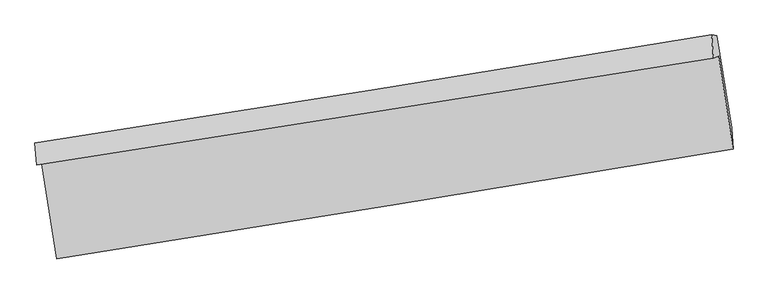
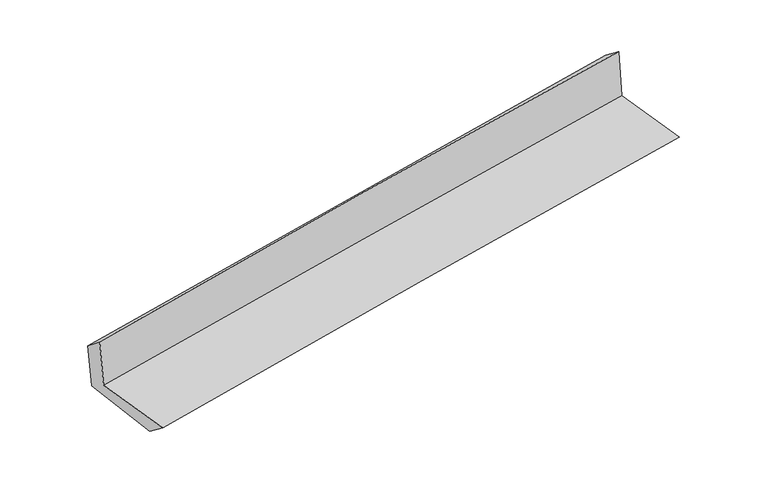
"""IFC4 building model written with IfcOpenShell, lengths in millimetres: proxy geometry."""

from ifc_helpers import new_model, si_unit, frame, origin, place, context, project, spatial, source, transform, mapped, element, save
from ifc_brep_helpers import plane_surface, spline_curve, spline_surface, advanced_brep


def generic_models_4b712df7(model_context):
    return source(origin(), model_context, "Body", "AdvancedBrep", [
        advanced_brep(
        [(-2367.8492055, -1878.112601, 1675.5956266), (-2265.4321393, -2538.2246345, 1671.5686766), (2415.843516, -1775.6921862, 2091.9628393), (2315.6962104, -1131.1697016, 2098.4190659), (-2403.7251464, -1886.2144554, 2071.0770115), (2280.2686723, -1146.8264694, 2501.5629115), (-2415.5999045, -1732.7007198, 1944.7990854), (2266.9280832, -984.680835, 2376.914909), (-2382.0718771, -1730.9371896, 1584.7633171), (2303.4885824, -989.9983767, 1996.2085925), (-2278.4753245, -2379.4402022, 1549.0581845), (2405.0323808, -1630.2422704, 1967.8374726)],
        [
            (0, 1),
            (1, 2, spline_curve(3, [(-2265.4321393, -2538.2246345, 1671.5686766), (-1482.451670787, -2413.478354298, 1752.295242411), (-699.225090322, -2287.289493904, 1827.816015462), (861.204204788, -2033.088115344, 1967.861170809), (1638.402842807, -1905.099492813, 2032.471785249), (2415.843516, -1775.6921862, 2091.9628393)], [4, 2, 4], [0.0, 7.843760866601433, 15.62228570515603])),
            (2, 3),
            (3, 0, spline_curve(3, [(2315.6962104, -1131.1697016, 2098.4190659), (1538.169245363, -1259.353050588, 2037.677698248), (760.739710914, -1385.438837036, 1972.238563609), (-800.443735457, -1634.455134187, 1831.376544979), (-1584.196006378, -1757.350314404, 1755.874533029), (-2367.8492055, -1878.112601, 1675.5956266)], [4, 2, 4], [0.0, 7.778524838554596, 15.62228570515603])),
            (4, 0),
            (3, 5),
            (5, 4, spline_curve(3, [(2280.2686723, -1146.8264694, 2501.5629115), (1501.917631272, -1271.373181683, 2443.615265045), (724.037282478, -1395.008727436, 2378.945607408), (-837.301918426, -1641.486736926, 2235.563531044), (-1620.752842739, -1764.313853128, 2156.737888486), (-2403.7251464, -1886.2144554, 2071.0770115)], [4, 2, 4], [0.0, 7.778486037240116, 15.622207777112713])),
            (6, 4),
            (5, 7),
            (7, 6, spline_curve(3, [(2266.9280832, -984.680835, 2376.914909), (1489.88403468, -1113.405304288, 2311.881720699), (712.781046003, -1239.851781533, 2243.519803259), (-848.060623945, -1489.230112883, 2099.53726376), (-1631.80029751, -1612.123597329, 2023.860573057), (-2415.5999045, -1732.7007198, 1944.7990854)], [4, 2, 4], [0.0, 7.778445337746702, 15.622126036792105])),
            (8, 6),
            (7, 9),
            (9, 8, spline_curve(3, [(2303.4885824, -989.9983767, 1996.2085925), (1525.842187655, -1115.139334989, 1931.699439696), (748.186167926, -1239.201403043, 1865.308823895), (-813.667156365, -1486.19917998, 1728.192089568), (-1597.864623229, -1609.116716064, 1657.434280315), (-2382.0718771, -1730.9371896, 1584.7633171)], [4, 2, 4], [0.0, 7.778405810908161, 15.622046651615928])),
            (10, 8),
            (9, 11),
            (11, 10, spline_curve(3, [(2405.0323808, -1630.2422704, 1967.8374726), (1627.83031746, -1756.053886385, 1899.854125898), (850.567028795, -1881.135207177, 1831.113085107), (-710.601175088, -2130.880152156, 1691.532751381), (-1494.507121386, -2255.53147502, 1620.680696207), (-2278.4753245, -2379.4402022, 1549.0581845)], [4, 2, 4], [0.0, 7.778331089705212, 15.62189658254693])),
            (1, 10),
            (11, 2),
        ],
        [
            spline_surface(3, 3, [[(-2367.8492055, -1878.112601, 1675.5956266), (-1584.196006306, -1757.350314312, 1755.874533086), (-800.443735452, -1634.455134218, 1831.376544972), (760.739710909, -1385.438837005, 1972.238563615), (1538.169245415, -1259.353050673, 2037.677698156), (2315.6962104, -1131.1697016, 2098.4190659)], [(-2333.710183439, -2098.149945475, 1674.25330995), (-1550.281227799, -1976.05966093, 1754.681436249), (-766.704187086, -1852.066587453, 1830.189701831), (794.227875551, -1601.321929763, 1970.779432653), (1571.580444582, -1474.601864727, 2035.942393869), (2349.078645613, -1346.010529814, 2096.266990358)], [(-2299.571161361, -2318.187290025, 1672.91099325), (-1516.366449275, -2194.769007622, 1753.488339364), (-732.964638727, -2069.678040711, 1829.002858687), (827.716040186, -1817.205022544, 1969.320301688), (1604.991643711, -1689.850678738, 2034.207089608), (2382.461080787, -1560.851357986, 2094.114914842)], [(-2265.4321393, -2538.2246345, 1671.5686766), (-1482.451670767, -2413.47835424, 1752.295242528), (-699.225090362, -2287.289493946, 1827.816015545), (861.204204827, -2033.088115302, 1967.861170727), (1638.402842879, -1905.099492792, 2032.471785321), (2415.843516, -1775.6921862, 2091.9628393)]], [4, 4], [4, 2, 4], [0.0, 2.158952231716706], [0.0, 7.843760866601433, 15.62228570515603]),
            spline_surface(3, 3, [[(-2403.7251464, -1886.2144554, 2071.0770115), (-1620.752842869, -1764.313853056, 2156.73788854), (-837.301918522, -1641.486736883, 2235.563531006), (724.037282574, -1395.008727478, 2378.945607446), (1501.917631146, -1271.373181626, 2443.615264973), (2280.2686723, -1146.8264694, 2501.5629115)], [(-2391.766499432, -1883.513837295, 1939.249883192), (-1608.56723068, -1761.992673503, 2023.116770047), (-825.015857485, -1639.142869333, 2100.834535659), (736.271425366, -1391.818763993, 2243.376592834), (1514.001502549, -1267.366471304, 2308.302742691), (2292.077851647, -1141.607546795, 2367.181629624)], [(-2379.807852468, -1880.813219105, 1807.422754908), (-1596.381618495, -1759.671493865, 1889.495651579), (-812.729796489, -1636.799001768, 1966.105540319), (748.505568117, -1388.628800491, 2107.807578228), (1526.085374012, -1263.359760996, 2172.990220438), (2303.887031053, -1136.388624205, 2232.800347776)], [(-2367.8492055, -1878.112601, 1675.5956266), (-1584.196006306, -1757.350314312, 1755.874533086), (-800.443735452, -1634.455134218, 1831.376544972), (760.739710909, -1385.438837005, 1972.238563615), (1538.169245415, -1259.353050673, 2037.677698156), (2315.6962104, -1131.1697016, 2098.4190659)]], [4, 4], [4, 2, 4], [0.0, 1.3359112210321133], [0.0, 7.843721739872597, 15.622207777112713]),
            spline_surface(3, 3, [[(-2415.5999045, -1732.7007198, 1944.7990854), (-1631.800297625, -1612.123597432, 2023.860573125), (-848.060623858, -1489.230112923, 2099.537263635), (712.781045916, -1239.851781494, 2243.519803384), (1489.884034752, -1113.405304404, 2311.88172072), (2266.9280832, -984.680835, 2376.914909)], [(-2411.641651788, -1783.871964983, 1986.891727445), (-1628.117812694, -1662.853682622, 2068.153011608), (-844.47438874, -1539.982320891, 2144.879352775), (716.533124808, -1291.57076347, 2288.661738088), (1493.895233571, -1166.061263474, 2355.792902142), (2271.374946255, -1038.729379796, 2418.464243171)], [(-2407.683399112, -1835.043210217, 2028.984369455), (-1624.4353278, -1713.583767865, 2112.445450057), (-840.88815364, -1590.734528915, 2190.221441865), (720.285203682, -1343.289745502, 2333.803672742), (1497.906432327, -1218.717222557, 2399.70408355), (2275.821809245, -1092.777924604, 2460.013577329)], [(-2403.7251464, -1886.2144554, 2071.0770115), (-1620.752842869, -1764.313853056, 2156.73788854), (-837.301918522, -1641.486736883, 2235.563531006), (724.037282574, -1395.008727478, 2378.945607446), (1501.917631146, -1271.373181626, 2443.615264973), (2280.2686723, -1146.8264694, 2501.5629115)]], [4, 4], [4, 2, 4], [0.0, 0.673694593668247], [0.0, 7.843680699045403, 15.622126036792105]),
            spline_surface(3, 3, [[(-2382.0718771, -1730.9371896, 1584.7633171), (-1597.864623334, -1609.116716133, 1657.434280275), (-813.667156419, -1486.1991799, 1728.192089578), (748.186167979, -1239.201403122, 1865.308823885), (1525.842187536, -1115.139334996, 1931.699439753), (2303.4885824, -989.9983767, 1996.2085925)], [(-2393.247886217, -1731.525033015, 1704.775239859), (-1609.176514748, -1610.119009914, 1779.576377884), (-825.131645575, -1487.209490911, 1851.97381427), (736.384460615, -1239.418195916, 1991.37915039), (1513.856136593, -1114.561324785, 2058.426866763), (2291.301749318, -988.225862786, 2123.110698022)], [(-2404.423895383, -1732.112876385, 1824.787162641), (-1620.488406211, -1611.12130365, 1901.718475515), (-836.596134702, -1488.219801912, 1975.755538943), (724.58275328, -1239.6349887, 2117.449476878), (1501.870085696, -1113.983314616, 2185.154293709), (2279.114916282, -986.453348914, 2250.012803478)], [(-2415.5999045, -1732.7007198, 1944.7990854), (-1631.800297625, -1612.123597432, 2023.860573125), (-848.060623858, -1489.230112923, 2099.537263635), (712.781045916, -1239.851781494, 2243.519803384), (1489.884034752, -1113.405304404, 2311.88172072), (2266.9280832, -984.680835, 2376.914909)]], [4, 4], [4, 2, 4], [0.0, 1.2348261603701656], [0.0, 7.843640840707767, 15.622046651615928]),
            spline_surface(3, 3, [[(-2278.4753245, -2379.4402022, 1549.0581845), (-1494.507121349, -2255.531475037, 1620.680696135), (-710.601175066, -2130.880152066, 1691.532751413), (850.567028773, -1881.135207267, 1831.113085075), (1627.83031758, -1756.053886293, 1899.854125824), (2405.0323808, -1630.2422704, 1967.8374726)], [(-2313.007508707, -2163.272531327, 1560.959895358), (-1528.959622017, -2040.059888729, 1632.931890839), (-744.956502173, -1915.986494684, 1703.752530796), (816.440075186, -1667.157272559, 1842.511664673), (1593.834274234, -1542.415702543, 1910.469230435), (2371.184448002, -1416.827639183, 1977.294512535)], [(-2347.539692893, -1947.104860473, 1572.861606242), (-1563.412122666, -1824.588302441, 1645.18308557), (-779.311829312, -1701.092837282, 1715.972310195), (782.313121566, -1453.17933783, 1853.910244287), (1559.838230882, -1328.777518745, 1921.084335141), (2337.336515198, -1203.413007917, 1986.751552565)], [(-2382.0718771, -1730.9371896, 1584.7633171), (-1597.864623334, -1609.116716133, 1657.434280275), (-813.667156419, -1486.1991799, 1728.192089578), (748.186167979, -1239.201403122, 1865.308823885), (1525.842187536, -1115.139334996, 1931.699439753), (2303.4885824, -989.9983767, 1996.2085925)]], [4, 4], [4, 2, 4], [0.0, 2.1405254076575053], [0.0, 7.843565492841718, 15.62189658254693]),
            spline_surface(3, 3, [[(-2265.4321393, -2538.2246345, 1671.5686766), (-1482.451670767, -2413.47835424, 1752.295242528), (-699.225090362, -2287.289493946, 1827.816015545), (861.204204827, -2033.088115302, 1967.861170727), (1638.402842879, -1905.099492792, 2032.471785321), (2415.843516, -1775.6921862, 2091.9628393)], [(-2269.779867718, -2485.296490405, 1630.731845897), (-1486.470154312, -2360.829394511, 1708.423727061), (-703.017118619, -2235.153046663, 1782.388260818), (857.658479453, -1982.437145967, 1922.278475493), (1634.878667778, -1855.417623952, 1988.265898845), (2412.239804266, -1727.208880926, 2050.58771709)], [(-2274.127596082, -2432.368346295, 1589.895015203), (-1490.488637804, -2308.180434766, 1664.552211602), (-706.809146808, -2183.016599348, 1736.96050614), (854.112754147, -1931.786176601, 1876.695780309), (1631.35449268, -1805.735755133, 1944.0600123), (2408.636092534, -1678.725575674, 2009.21259481)], [(-2278.4753245, -2379.4402022, 1549.0581845), (-1494.507121349, -2255.531475037, 1620.680696135), (-710.601175066, -2130.880152066, 1691.532751413), (850.567028773, -1881.135207267, 1831.113085075), (1627.83031758, -1756.053886293, 1899.854125824), (2405.0323808, -1630.2422704, 1967.8374726)]], [4, 4], [4, 2, 4], [0.0, 0.6766385123250034], [0.0, 7.843600605279579, 15.621966515394885]),
            plane_surface(frame((2331.2095742, -1276.4349732, 2172.1509651), z_axis=(0.9840570331007551, 0.1519795504610095, 0.09237949906017616), x_axis=(-0.09558431257049213, 0.013902260158322707, 0.9953242518661528))),
            plane_surface(frame((-2352.1922662, -2024.2716337, 1749.4769836), z_axis=(-0.9840364734612342, -0.15211070740928917, -0.0923826368395239), x_axis=(-0.15331391622021825, 0.9881591492577689, 0.006028169820281958))),
        ],
        [
            (0, [[1, 2, 3, 4]]),
            (1, [[5, -4, 6, 7]]),
            (2, [[8, -7, 9, 10]]),
            (3, [[11, -10, 12, 13]]),
            (4, [[14, -13, 15, 16]]),
            (5, [[17, -16, 18, -2]]),
            (6, [[-12, -9, -6, -3, -18, -15]]),
            (7, [[-1, -5, -8, -11, -14, -17]]),
        ],
    ),
    ])


if __name__ == "__main__":
    model = new_model("IFC4")
    model_context = context("Model", 3, world=origin())
    ifc_project = project(units=[si_unit("LENGTHUNIT", "METRE", prefix="MILLI")], contexts=[model_context])
    site = spatial("IfcSite", under=ifc_project)
    building = spatial("IfcBuilding", under=site)
    placement = place(None, origin())
    generic_models_shape = generic_models_4b712df7(model_context)
    element("IfcBuildingElementProxy", 1, Name="Generic Models", at=placement, inside=building, context=model_context, shape_type="MappedRepresentation", body=[
        mapped(generic_models_shape, transform((0.0, 0.0, 0.0), x_axis=(1.0, 0.0, 0.0), y_axis=(0.0, 1.0, 0.0), z_axis=(0.0, 0.0, 1.0))),
    ])
    save(model, "model.ifc")
